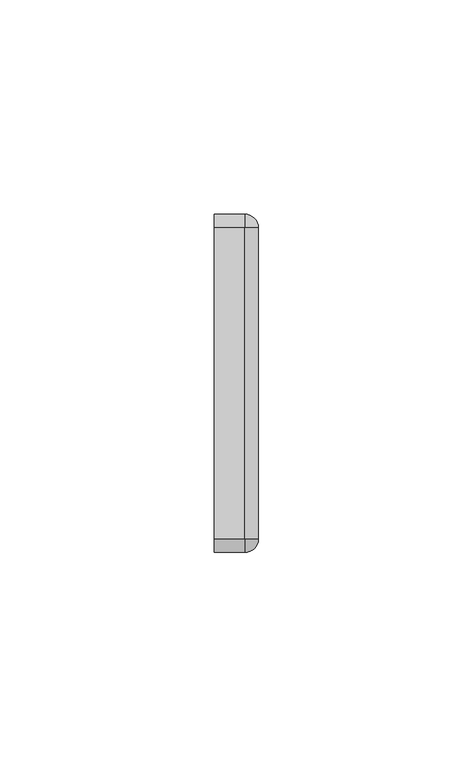
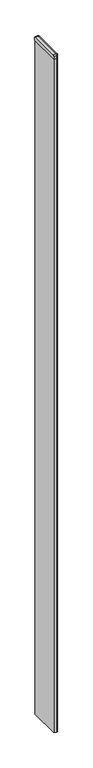
"""IFC4 building model written with IfcOpenShell, lengths in millimetres: furniture geometry."""

from ifc_helpers import new_model, si_unit, point, frame, frame_2d, origin, place, context, project, spatial, polyline, circle_curve, ellipse_curve, trimmed, segment, composite_curve, outline, extrude, source, transform, mapped, element, save
from ifc_brep_helpers import plane_surface, cylinder_surface, revolved_surface, advanced_brep


def furniture_72455905(model_context):
    return source(origin(), model_context, "Body", "SolidModel", [
        advanced_brep(
        [(6.1101987, -36.7238842, 1709.2025358), (6.1101987, -36.7238842, 1715.5525115), (2.9351984, -36.7238842, 1718.7037), (2.9351984, -36.7238842, 1709.2025358), (2.9351984, 35.8724944, 1718.7037), (6.1101987, 35.8724944, 1715.5525115), (6.1101987, 35.8724944, 1709.2025358), (2.9351984, 35.8724944, 1709.2025358), (2.9351984, -39.8988812, 1709.2025358), (-4.1768018, -39.8988812, 1709.2025358), (-4.1768018, 39.0474944, 1709.2025358), (2.9351984, 39.0474944, 1709.2025358), (-4.1768018, 35.8724944, 1718.7037), (-4.1768018, -36.7238842, 1718.7037), (-4.1768018, 39.0474944, 1715.5525115), (-4.1768018, -39.8988812, 1715.5525115), (2.9351984, 39.0474944, 1715.5525115), (2.9351984, -39.8988812, 1715.5525115)],
        [
            (0, 1),
            (1, 2, circle_curve(frame((2.958921, -36.7238842, 1715.5525115), z_axis=(0.0, -1.0, 0.0), x_axis=(-1.0, 0.0, 0.0)), 3.1512778)),
            (2, 3),
            (3, 0),
            (4, 5, circle_curve(frame((2.958921, 35.8724944, 1715.5525115), z_axis=(0.0, 1.0, 0.0), x_axis=(-1.0, 0.0, 0.0)), 3.1512778)),
            (5, 6),
            (6, 7),
            (7, 4),
            (6, 0),
            (3, 8),
            (8, 9),
            (9, 10),
            (10, 11),
            (11, 7),
            (5, 1),
            (4, 2),
            (4, 12),
            (12, 13),
            (13, 2),
            (12, 14, circle_curve(frame((-4.1768018, 35.8962166, 1715.5525115), z_axis=(-1.0, 0.0, 0.0), x_axis=(0.0, 1.0, 0.0)), 3.1512778)),
            (14, 10),
            (9, 15),
            (15, 13, circle_curve(frame((-4.1768018, -36.7476035, 1715.5525115), z_axis=(-1.0, 0.0, 0.0), x_axis=(0.0, 1.0, 0.0)), 3.1512777)),
            (11, 16),
            (16, 4, circle_curve(frame((2.9351984, 35.8962166, 1715.5525115), z_axis=(1.0, 0.0, 0.0), x_axis=(0.0, 1.0, 0.0)), 3.1512778)),
            (14, 16),
            (2, 17, circle_curve(frame((2.9351984, -36.7476035, 1715.5525115), z_axis=(1.0, 0.0, 0.0), x_axis=(0.0, 1.0, 0.0)), 3.1512777)),
            (17, 8),
            (17, 15),
        ],
        [
            plane_surface(frame((4.522698, -36.7238842, 1715.5525115), z_axis=(0.0, -1.0, 0.0), x_axis=(0.0, 0.0, 1.0))),
            plane_surface(frame((4.522698, 35.8724944, 1715.5525115), z_axis=(0.0, 1.0, 0.0), x_axis=(0.0, 0.0, 1.0))),
            plane_surface(frame((-4.1768018, -36.7238842, 1709.2025358), z_axis=(0.0, 0.0, -1.0), x_axis=(0.0, 1.0, 0.0))),
            plane_surface(frame((6.1101987, -36.7238842, 1709.2025358), z_axis=(1.0, 0.0, 0.0), x_axis=(0.0, 1.0, 0.0))),
            cylinder_surface(frame((2.958921, -36.7238842, 1715.5525115), z_axis=(0.0, -1.0, 0.0), x_axis=(-1.0, 0.0, 0.0)), 3.1512778),
            plane_surface(frame((2.9351984, -36.7238842, 1718.7037), z_axis=(0.0, 0.0, 1.0), x_axis=(0.0, 1.0, 0.0))),
            plane_surface(frame((-4.1768018, -36.7238842, 1718.7037), z_axis=(-1.0, 0.0, 0.0), x_axis=(0.0, 1.0, 0.0))),
            plane_surface(frame((2.9351984, 37.4599943, 1715.5525115), z_axis=(1.0, 0.0, 0.0), x_axis=(0.0, 0.0, 1.0))),
            plane_surface(frame((-4.1768018, 39.0474944, 1715.5525115), z_axis=(0.0, 1.0, 0.0), x_axis=(1.0, 0.0, 0.0))),
            cylinder_surface(frame((-4.1768018, 35.8962166, 1715.5525115), z_axis=(-1.0, 0.0, 0.0), x_axis=(0.0, 1.0, 0.0)), 3.1512778),
            plane_surface(frame((2.9351984, -38.3113782, 1715.5525115), z_axis=(1.0, 0.0, 0.0), x_axis=(0.0, 0.0, 1.0))),
            plane_surface(frame((-4.1768018, -39.8988812, 1709.2025358), z_axis=(0.0, -1.0, 0.0), x_axis=(1.0, 0.0, 0.0))),
            cylinder_surface(frame((-4.1768018, -36.7476035, 1715.5525115), z_axis=(-1.0, 0.0, 0.0), x_axis=(0.0, 1.0, 0.0)), 3.1512777),
        ],
        [
            (0, [[1, 2, 3, 4]]),
            (1, [[5, 6, 7, 8]]),
            (2, [[9, -4, 10, 11, 12, 13, 14, -7]]),
            (3, [[-1, -9, -6, 15]]),
            (4, [[-2, -15, -5, 16]]),
            (5, [[-16, 17, 18, 19]]),
            (6, [[-18, 20, 21, -12, 22, 23]]),
            (7, [[24, 25, -8, -14]]),
            (8, [[-21, 26, -24, -13]]),
            (9, [[-20, -17, -25, -26]]),
            (10, [[-10, -3, 27, 28]]),
            (11, [[-22, -11, -28, 29]]),
            (12, [[-23, -29, -27, -19]]),
        ],
    ),
        advanced_brep(
        [(2.9351984, 39.0474944, 1715.5525115), (2.9351984, 39.0474944, 1709.2025358), (2.9351984, 35.8724944, 1709.2025358), (2.9351984, 35.8724944, 1718.7037), (6.1101983, 35.8724944, 1715.5525115), (6.1101983, 35.8724944, 1709.2025358)],
        [
            (0, 1),
            (1, 2),
            (2, 3),
            (3, 0, circle_curve(frame((2.9351984, 35.8962166, 1715.5525115), z_axis=(-1.0, 0.0, 0.0), x_axis=(0.0, 1.0, 0.0)), 3.1512778)),
            (4, 3, circle_curve(frame((2.9589206, 35.8724944, 1715.5525115), z_axis=(0.0, -1.0, 0.0), x_axis=(1.0, 0.0, 0.0)), 3.1512778)),
            (2, 5),
            (5, 4),
            (5, 1, circle_curve(frame((2.9351984, 35.8724944, 1709.2025358), z_axis=(0.0, 0.0, 1.0), x_axis=(0.0, 1.0, 0.0)), 3.175)),
            (0, 4, circle_curve(frame((2.9351984, 35.8724944, 1715.5525115), z_axis=(0.0, 0.0, -1.0), x_axis=(0.0, 1.0, 0.0)), 3.175)),
        ],
        [
            plane_surface(frame((2.9351984, 35.8724944, 1715.5525115), z_axis=(-1.0, 0.0, 0.0), x_axis=(0.0, 1.0, 0.0))),
            plane_surface(frame((2.9351984, 35.8724944, 1715.5525115), z_axis=(0.0, -1.0, 0.0), x_axis=(1.0, 0.0, 0.0))),
            cylinder_surface(frame((2.9351984, 35.8724944, 1715.5525115), z_axis=(0.0, 0.0, -1.0), x_axis=(0.0, 1.0, 0.0)), 3.175),
            plane_surface(frame((2.9351984, 35.8724944, 1709.2025358), z_axis=(0.0, 0.0, -1.0), x_axis=(0.0, 1.0, 0.0))),
            revolved_surface(trimmed(ellipse_curve(frame((2.9351984, 35.8962166, 1715.5525115), z_axis=(-1.0, 0.0, 0.0), x_axis=(0.0, 1.0, 0.0)), 3.1512778, 3.1512778), [point((2.9351984, 35.8724944, 1718.7037))], [point((2.9351984, 39.0474944, 1715.5525115))], True, "CARTESIAN"), (2.9351984, 35.8724944, 1715.5525115), (0.0, 0.0, -1.0)),
        ],
        [
            (0, [[1, 2, 3, 4]]),
            (1, [[5, -3, 6, 7]]),
            (2, [[8, -1, 9, -7]]),
            (3, [[-2, -8, -6]]),
            (4, [[-9, -4, -5]]),
        ],
    ),
        advanced_brep(
        [(2.9351984, -39.8988812, 1715.5525115), (2.9351984, -36.7238842, 1718.7037), (2.9351984, -36.7238842, 1709.2025358), (2.9351984, -39.8988812, 1709.2025358), (6.1101953, -36.7238842, 1715.5525115), (6.1101953, -36.7238842, 1709.2025358)],
        [
            (0, 1, circle_curve(frame((2.9351984, -36.7476035, 1715.5525115), z_axis=(-1.0, 0.0, 0.0), x_axis=(0.0, -1.0, 0.0)), 3.1512777)),
            (1, 2),
            (2, 3),
            (3, 0),
            (4, 5),
            (5, 2),
            (1, 4, circle_curve(frame((2.9589176, -36.7238842, 1715.5525115), z_axis=(0.0, 1.0, 0.0), x_axis=(1.0, 0.0, 0.0)), 3.1512777)),
            (4, 0, circle_curve(frame((2.9351984, -36.7238842, 1715.5525115), z_axis=(0.0, 0.0, -1.0), x_axis=(0.0, -1.0, 0.0)), 3.174997)),
            (3, 5, circle_curve(frame((2.9351984, -36.7238842, 1709.2025358), z_axis=(0.0, 0.0, 1.0), x_axis=(0.0, -1.0, 0.0)), 3.174997)),
        ],
        [
            plane_surface(frame((2.9351984, -36.7238842, 1715.5525115), z_axis=(-1.0, 0.0, 0.0), x_axis=(0.0, -1.0, 0.0))),
            plane_surface(frame((2.9351984, -36.7238842, 1715.5525115), z_axis=(0.0, 1.0, 0.0), x_axis=(1.0, 0.0, 0.0))),
            cylinder_surface(frame((2.9351984, -36.7238842, 1715.5525115), z_axis=(0.0, 0.0, 1.0), x_axis=(0.0, -1.0, 0.0)), 3.174997),
            revolved_surface(trimmed(ellipse_curve(frame((2.9351984, -36.7476035, 1715.5525115), z_axis=(-1.0, 0.0, 0.0), x_axis=(0.0, -1.0, 0.0)), 3.1512777, 3.1512777), [point((2.9351984, -39.8988812, 1715.5525115))], [point((2.9351984, -36.7238842, 1718.7037))], True, "CARTESIAN"), (2.9351984, -36.7238842, 1715.5525115), (0.0, 0.0, 1.0)),
            plane_surface(frame((2.9351984, -36.7238842, 1709.2025358), z_axis=(0.0, 0.0, -1.0), x_axis=(0.0, -1.0, 0.0))),
        ],
        [
            (0, [[1, 2, 3, 4]]),
            (1, [[5, 6, -2, 7]]),
            (2, [[8, -4, 9, -5]]),
            (3, [[-1, -8, -7]]),
            (4, [[-9, -3, -6]]),
        ],
    ),
        extrude(outline(composite_curve([segment(trimmed(circle_curve(frame_2d((2.9351984, 35.8469786)), 2.8068158), [point((2.9351984, 38.6537944))], [point((5.7418982, 35.8724944))], False, "CARTESIAN"), True, "CONTINUOUS"), segment(polyline([(5.7418982, 35.8724944), (5.7418982, -36.7238842)]), True, "CONTINUOUS"), segment(trimmed(circle_curve(frame_2d((2.9351984, -36.7238808)), 2.8066998), [point((5.7418982, -36.7238842))], [point((2.9351984, -39.5305806))], False, "CARTESIAN"), True, "CONTINUOUS"), segment(polyline([(2.9351984, -39.5305806), (-3.7831018, -39.5305806), (-3.7831018, 38.6537944), (2.9351984, 38.6537944)]), True, "CONTINUOUS")], self_intersect=False)), frame((0.0, 0.0, 14.2875), z_axis=(0.0, 0.0, 1.0), x_axis=(1.0, 0.0, 0.0)), (0.0, 0.0, 1.0), 1694.9150358),
    ])


if __name__ == "__main__":
    model = new_model("IFC4")
    model_context = context("Model", 3, world=origin())
    ifc_project = project(units=[si_unit("LENGTHUNIT", "METRE", prefix="MILLI")], contexts=[model_context])
    site = spatial("IfcSite", under=ifc_project)
    building = spatial("IfcBuilding", under=site)
    placement = place(None, origin())
    furniture_shape = furniture_72455905(model_context)
    element("IfcFurniture", 1, at=placement, inside=building, context=model_context, shape_type="MappedRepresentation", body=[
        mapped(furniture_shape, transform((0.0, 0.0, 0.0), x_axis=(1.0, 0.0, 0.0), y_axis=(0.0, 1.0, 0.0), z_axis=(0.0, 0.0, 1.0))),
    ])
    save(model, "model.ifc")
